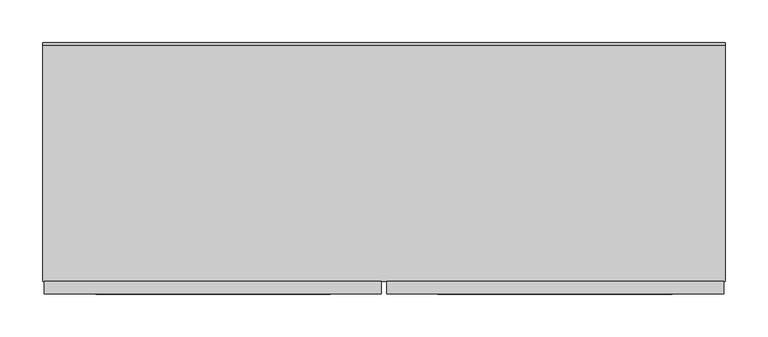
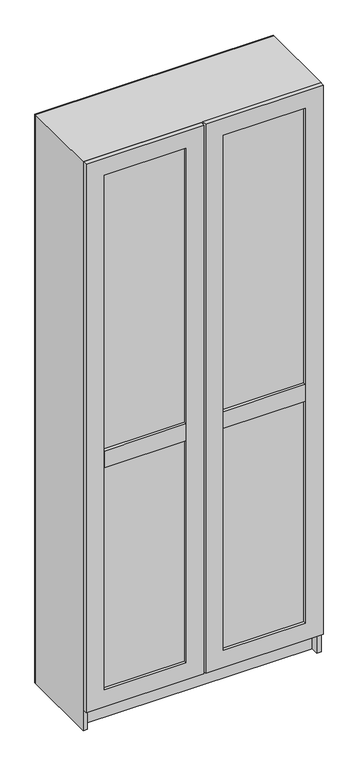
"""IFC4 building model written with IfcOpenShell, lengths in millimetres: proxy geometry."""

from ifc_helpers import new_model, si_unit, frame, origin, origin_with_axes, place, context, project, spatial, polyline, outline, extrude, source, transform, mapped, element, save


def generic_models_42f56785(model_context):
    return source(origin(), model_context, "Body", "SweptSolid", [
        extrude(outline(polyline([(723.0, -292.0), (448.0, -292.0), (448.0, -258.9637477), (723.0, -258.9637477), (723.0, -292.0)])), frame((0.0, 0.0, 920.0), z_axis=(0.0, 0.0, 1.0), x_axis=(1.0, 0.0, 0.0)), (0.0, 0.0, 1.0), 60.0),
        extrude(outline(polyline([(322.0, -292.0), (47.0, -292.0), (47.0, -250.0), (322.0, -250.0), (322.0, -292.0)])), frame((0.0, 0.0, 920.0), z_axis=(0.0, 0.0, 1.0), x_axis=(1.0, 0.0, 0.0)), (0.0, 0.0, 1.0), 60.0),
        extrude(outline(polyline([(725.0, -282.225834), (445.0, -282.225834), (445.0, -250.0), (725.0, -250.0), (725.0, -282.225834)])), frame((0.0, 0.0, 131.8408042), z_axis=(0.0, 0.0, 1.0), x_axis=(1.0, 0.0, 0.0)), (0.0, 0.0, 1.0), 1828.1591958),
        extrude(outline(polyline([(325.0, -282.225834), (45.0, -282.225834), (45.0, -250.0), (325.0, -250.0), (325.0, -282.225834)])), frame((0.0, 0.0, 131.8408042), z_axis=(0.0, 0.0, 1.0), x_axis=(1.0, 0.0, 0.0)), (0.0, 0.0, 1.0), 1828.1591958),
        extrude(outline(polyline([(71.8408042, 388.0), (71.8408042, 783.0), (2020.9204021, 783.0), (2020.9204021, 388.0), (71.8408042, 388.0)]), holes=[polyline([(1960.9204021, 448.0), (1960.9204021, 723.0), (131.8408042, 723.0), (131.8408042, 448.0), (1960.9204021, 448.0)])]), frame((0.0, -292.0, 0.0), z_axis=(0.0, 1.0, 0.0), x_axis=(0.0, 0.0, 1.0)), (0.0, 0.0, 1.0), 15.0),
        extrude(outline(polyline([(71.8408042, -13.0), (71.8408042, 382.0), (2020.0, 382.0), (2020.0, -13.0), (71.8408042, -13.0)]), holes=[polyline([(1960.0, 47.0), (1960.0, 322.0), (131.8408042, 322.0), (131.8408042, 47.0), (1960.0, 47.0)])]), frame((0.0, -292.0, 0.0), z_axis=(0.0, 1.0, 0.0), x_axis=(0.0, 0.0, 1.0)), (0.0, 0.0, 1.0), 15.0),
        extrude(outline(polyline([(770.0, -250.0), (0.0, -250.0), (0.0, 0.0), (770.0, 0.0), (770.0, -250.0)])), origin_with_axes(), (0.0, 0.0, 1.0), 70.0),
        extrude(outline(polyline([(785.0, 3.0), (785.0, 0.0), (-15.0, 0.0), (-15.0, 3.0), (785.0, 3.0)])), origin_with_axes(), (0.0, 0.0, 1.0), 2020.0),
        extrude(outline(polyline([(0.0, 0.0), (70.0, 0.0), (70.0, 769.0), (85.0, 769.0), (85.0, 0.0), (370.0, 0.0), (370.0, 769.0), (385.0, 769.0), (385.0, 0.0), (670.0, 0.0), (670.0, 769.0), (685.0, 769.0), (685.0, 0.0), (970.0, 0.0), (970.0, 769.0), (985.0, 769.0), (985.0, 0.0), (1270.0, 0.0), (1270.0, 769.0), (1285.0, 769.0), (1285.0, 0.0), (1570.0, 0.0), (1570.0, 769.0), (1585.0, 769.0), (1585.0, 0.0), (1870.0, 0.0), (1870.0, 769.0), (1885.0, 769.0), (1885.0, 0.0), (1994.6481014, 0.0), (1994.6481014, 770.0), (0.0, 770.0), (0.0, 785.0), (2020.0, 785.0), (2020.0, -15.0), (0.0, -15.0), (0.0, 0.0)])), frame((0.0, -277.0, 0.0), z_axis=(0.0, 1.0, 0.0), x_axis=(0.0, 0.0, 1.0)), (0.0, 0.0, 1.0), 277.0),
    ])


if __name__ == "__main__":
    model = new_model("IFC4")
    model_context = context("Model", 3, world=origin())
    ifc_project = project(units=[si_unit("LENGTHUNIT", "METRE", prefix="MILLI")], contexts=[model_context])
    site = spatial("IfcSite", under=ifc_project)
    building = spatial("IfcBuilding", under=site)
    placement = place(None, origin())
    generic_models_shape = generic_models_42f56785(model_context)
    element("IfcBuildingElementProxy", 1, Name="Generic Models", at=placement, inside=building, context=model_context, shape_type="MappedRepresentation", body=[
        mapped(generic_models_shape, transform((0.0, 0.0, 0.0), x_axis=(1.0, 0.0, 0.0), y_axis=(0.0, 1.0, 0.0), z_axis=(0.0, 0.0, 1.0))),
    ])
    save(model, "model.ifc")
